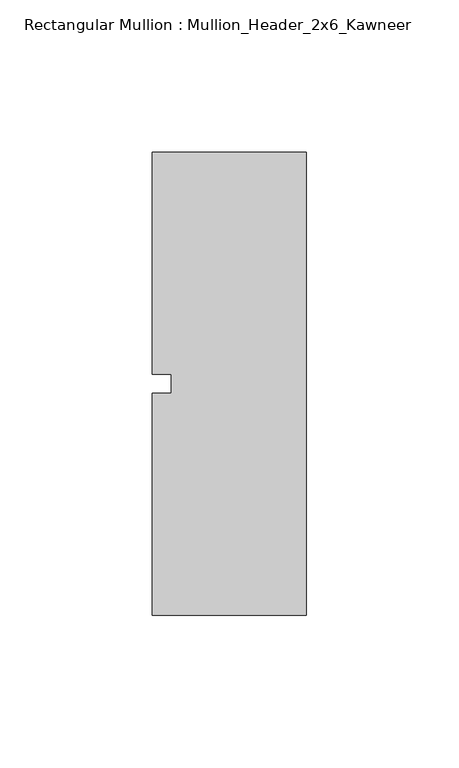
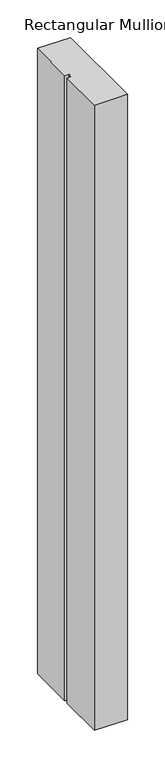
"""IFC4 building model written with IfcOpenShell, lengths in millimetres: member geometry, Rectangular Mullion : Mullion_Header_2x6_Kawneer."""

from ifc_helpers import new_model, si_unit, frame, origin, place, context, project, spatial, polyline, outline, extrude, source, transform, mapped, element, save


def rectangular_mullion_mullion_header_2x6_kawneer_c49b8675(model_context):
    return source(origin(), model_context, "Body", "SweptSolid", [
        extrude(outline(polyline([(-50.8, 76.2), (0.0, 76.2), (0.0, -76.2), (-50.8, -76.2), (-50.8, -3.175), (-44.45, -3.175), (-44.45, 3.175), (-50.8, 3.175), (-50.8, 76.2)])), frame((0.0, 0.0, -1016.0), z_axis=(0.0, 0.0, 1.0), x_axis=(1.0, 0.0, 0.0)), (0.0, 0.0, 1.0), 1016.0),
    ])


if __name__ == "__main__":
    model = new_model("IFC4")
    model_context = context("Model", 3, world=origin())
    ifc_project = project(units=[si_unit("LENGTHUNIT", "METRE", prefix="MILLI")], contexts=[model_context])
    site = spatial("IfcSite", under=ifc_project)
    building = spatial("IfcBuilding", under=site)
    placement = place(None, origin())
    rectangular_mullion_mullion_header_2x6_kawneer_shape = rectangular_mullion_mullion_header_2x6_kawneer_c49b8675(model_context)
    element("IfcMember", 1, ObjectType="Rectangular Mullion : Mullion_Header_2x6_Kawneer", at=placement, inside=building, context=model_context, shape_type="MappedRepresentation", body=[
        mapped(rectangular_mullion_mullion_header_2x6_kawneer_shape, transform((0.0, 0.0, 0.0), x_axis=(1.0, 0.0, 0.0), y_axis=(0.0, 1.0, 0.0), z_axis=(0.0, 0.0, 1.0))),
    ])
    save(model, "model.ifc")
